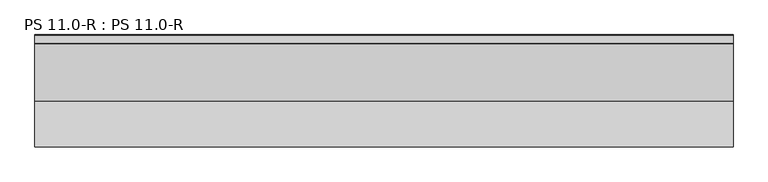
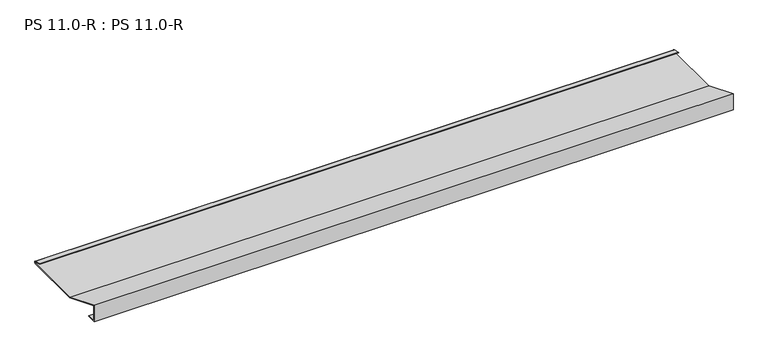
"""IFC4 building model written with IfcOpenShell, lengths in millimetres: proxy geometry, PS 11.0-R : PS 11.0-R."""

import ifcopenshell
import ifcopenshell.guid

model = None  # the IFC model being written
_history = None  # IfcOwnerHistory: only IFC2X3 demands one
_inside = {}  # id of a spatial element -> (the spatial element, [elements in it])
_under = {}  # id of a project, library or spatial element -> (it, [spatial elements below it])
_declared = {}  # id of a project -> (the project, [libraries it declares])
_typed = {}  # id of a type object -> (the type object, [elements of that type])
_made_of = {}  # id of a material, layer set ... -> (it, [elements and type objects made of it])


def new_model(schema):
    """Start an empty IFC model of exactly this schema.

    Asked for "IFC4X3", IfcOpenShell would pick the latest addendum, in which some entities
    have other attributes; the version numbers below select the first issue.
    IFC2X3 requires an IfcOwnerHistory on every rooted entity: one is made here for all.
    """
    global model, _history
    if schema == "IFC4X3":
        model = ifcopenshell.file(schema_version=(4, 3, 0, 0))
    else:
        model = ifcopenshell.file(schema=schema)
    _inside.clear()
    _under.clear()
    _declared.clear()
    _typed.clear()
    _made_of.clear()
    _history = None
    if model.schema == "IFC2X3":
        org = make("IfcOrganization", Name="unknown")
        user = make(
            "IfcPersonAndOrganization",
            ThePerson=make("IfcPerson", FamilyName="unknown"),
            TheOrganization=org,
        )
        app = make(
            "IfcApplication",
            ApplicationDeveloper=org,
            Version="unknown",
            ApplicationFullName="unknown",
            ApplicationIdentifier="unknown",
        )
        _history = make(
            "IfcOwnerHistory",
            OwningUser=user,
            OwningApplication=app,
            ChangeAction="ADDED",
            CreationDate=0,
        )
    return model


def make(cls, **values):
    """One entity of the class cls with the attributes given. An attribute that is None is left unset."""
    return model.create_entity(
        cls, **{name: value for name, value in values.items() if value is not None}
    )


def rooted(cls, **values):
    """An entity with a GlobalId (a new one), such as an element, a storey or a relation."""
    return make(cls, GlobalId=ifcopenshell.guid.new(), OwnerHistory=_history, **values)


def si_unit(unit_type, name, prefix=None):
    """IfcSIUnit, for example si_unit("LENGTHUNIT", "METRE", prefix="MILLI")."""
    return make("IfcSIUnit", UnitType=unit_type, Prefix=prefix, Name=name)


def assignment(units):
    """IfcUnitAssignment: the units of a project."""
    return None if units is None else make("IfcUnitAssignment", Units=units)


def point(xyz):
    """IfcCartesianPoint."""
    return None if xyz is None else make("IfcCartesianPoint", Coordinates=xyz)


def direction(xyz):
    """IfcDirection."""
    return None if xyz is None else make("IfcDirection", DirectionRatios=xyz)


def frame(location, z_axis=None, x_axis=None):
    """IfcAxis2Placement3D, a coordinate frame: its origin and axes. An axis left out is left unset."""
    return make(
        "IfcAxis2Placement3D",
        Location=point(location),
        Axis=direction(z_axis),
        RefDirection=direction(x_axis),
    )


def frame_2d(location, x_axis=None):
    """IfcAxis2Placement2D, a coordinate frame in the plane: its origin and x axis."""
    return make(
        "IfcAxis2Placement2D", Location=point(location), RefDirection=direction(x_axis)
    )


def origin():
    """The frame at (0, 0, 0) with its axes left unset."""
    return frame((0.0, 0.0, 0.0))


def place(relative_to, where):
    """IfcLocalPlacement: puts the frame where relative to a parent placement (None: the world)."""
    return make(
        "IfcLocalPlacement", PlacementRelTo=relative_to, RelativePlacement=where
    )


def context(
    kind, dimensions, precision=None, world=None, true_north=None, identifier=None
):
    """IfcGeometricRepresentationContext, for example the 3D "Model" context."""
    return make(
        "IfcGeometricRepresentationContext",
        ContextIdentifier=identifier,
        ContextType=kind,
        CoordinateSpaceDimension=dimensions,
        Precision=precision,
        WorldCoordinateSystem=world,
        TrueNorth=true_north,
    )


def project(units=None, contexts=None):
    """IfcProject with its units and contexts."""
    return rooted(
        "IfcProject",
        Name="project",
        RepresentationContexts=contexts,
        UnitsInContext=assignment(units),
    )


def spatial(cls, under=None, at=None, **own):
    """A site, building, storey or space (cls), placed at a placement, below another one or the project."""
    s = rooted(cls, ObjectPlacement=at, **own)
    if under is not None:
        _under.setdefault(under.id(), (under, []))[1].append(s)
    return s


def polyline(points):
    """IfcPolyline through the points."""
    return make("IfcPolyline", Points=[point(p) for p in points])


def circle_curve(where, radius):
    """IfcCircle in the frame where."""
    return make("IfcCircle", Position=where, Radius=radius)


def trimmed(basis, trim1, trim2, sense, master):
    """IfcTrimmedCurve: the piece of a basis curve between two trims."""
    return make(
        "IfcTrimmedCurve",
        BasisCurve=basis,
        Trim1=trim1,
        Trim2=trim2,
        SenseAgreement=sense,
        MasterRepresentation=master,
    )


def segment(curve, same_sense, transition):
    """IfcCompositeCurveSegment."""
    return make(
        "IfcCompositeCurveSegment",
        Transition=transition,
        SameSense=same_sense,
        ParentCurve=curve,
    )


def composite_curve(segments, self_intersect=None):
    """IfcCompositeCurve: segments joined end to end."""
    return make("IfcCompositeCurve", Segments=segments, SelfIntersect=self_intersect)


def outline(outer, holes=None, kind="AREA"):
    """IfcArbitraryClosedProfileDef: a profile drawn as a closed curve; with holes, ...WithVoids."""
    if holes is None:
        return make("IfcArbitraryClosedProfileDef", ProfileType=kind, OuterCurve=outer)
    return make(
        "IfcArbitraryProfileDefWithVoids",
        ProfileType=kind,
        OuterCurve=outer,
        InnerCurves=holes,
    )


def extrude(swept, where, along, depth):
    """IfcExtrudedAreaSolid: the profile swept, set in the frame where, extruded along a direction by depth."""
    return make(
        "IfcExtrudedAreaSolid",
        SweptArea=swept,
        Position=where,
        ExtrudedDirection=direction(along),
        Depth=depth,
    )


def shape(context_of_items, identifier, shape_type, items):
    """IfcShapeRepresentation: the items that make up one representation, for example the "Body"."""
    return make(
        "IfcShapeRepresentation",
        ContextOfItems=context_of_items,
        RepresentationIdentifier=identifier,
        RepresentationType=shape_type,
        Items=items,
    )


def source(mapping_origin, context_of_items, identifier, shape_type, items):
    """IfcRepresentationMap: a shape defined once, which mapped items show again and again."""
    return make(
        "IfcRepresentationMap",
        MappingOrigin=mapping_origin,
        MappedRepresentation=shape(context_of_items, identifier, shape_type, items),
    )


def transform(
    local_origin,
    x_axis=None,
    y_axis=None,
    z_axis=None,
    scale=None,
    scale2=None,
    scale3=None,
    uniform=True,
):
    """IfcCartesianTransformationOperator3D, or its non-uniform kind. x_axis, y_axis, z_axis: its Axis1, 2, 3."""
    if uniform:
        return make(
            "IfcCartesianTransformationOperator3D",
            Axis1=direction(x_axis),
            Axis2=direction(y_axis),
            LocalOrigin=point(local_origin),
            Scale=scale,
            Axis3=direction(z_axis),
        )
    return make(
        "IfcCartesianTransformationOperator3DnonUniform",
        Axis1=direction(x_axis),
        Axis2=direction(y_axis),
        LocalOrigin=point(local_origin),
        Scale=scale,
        Axis3=direction(z_axis),
        Scale2=scale2,
        Scale3=scale3,
    )


def mapped(mapping_source, mapping_target):
    """IfcMappedItem: shows the shape of a source again, moved by a transform."""
    return make(
        "IfcMappedItem", MappingSource=mapping_source, MappingTarget=mapping_target
    )


def made_of(thing, what):
    """Note that an element or type object is made of a material, layer set ...; save() writes the relation."""
    if what is not None:
        _made_of.setdefault(what.id(), (what, []))[1].append(thing)
    return thing


def element(
    cls,
    number,
    at=None,
    inside=None,
    cuts=None,
    type_object=None,
    material=None,
    context=None,
    identifier="Body",
    shape_type=None,
    held_by="IfcProductDefinitionShape",
    body=None,
    shapes=None,
    **own,
):
    """One element of the class cls, such as IfcWall. Its Tag is "e" and its number.

    at: its placement. inside: the storey or other place that contains it. cuts: it is an
    opening in that element (IfcRelVoidsElement). A single representation is given by context,
    identifier, shape_type and body (its items); several are given by shapes. held_by: the class
    of the entity that holds the representations. save() writes the other relations.
    """
    e = rooted(cls, Tag="e%d" % number, ObjectPlacement=at, **own)
    if body is not None:
        shapes = [shape(context, identifier, shape_type, body)]
    if shapes is not None:
        e.Representation = make(held_by, Representations=shapes)
    if inside is not None:
        _inside.setdefault(inside.id(), (inside, []))[1].append(e)
    if cuts is not None:
        rooted(
            "IfcRelVoidsElement", RelatingBuildingElement=cuts, RelatedOpeningElement=e
        )
    if type_object is not None:
        _typed.setdefault(type_object.id(), (type_object, []))[1].append(e)
    return made_of(e, material)


def aggregate(whole, parts):
    """IfcRelAggregates: a whole, such as a stair, and the parts it consists of."""
    return rooted("IfcRelAggregates", RelatingObject=whole, RelatedObjects=parts)


def save(model, path):
    """Write the relations noted so far, then the file.

    IfcRelAggregates (storeys below a building ...), IfcRelContainedInSpatialStructure (elements
    in a storey), IfcRelDefinesByType, IfcRelAssociatesMaterial and IfcRelDeclares: one each for
    every whole, place, type object, material and project.
    """
    for whole, parts in _under.values():
        aggregate(whole, parts)
    for where, things in _inside.values():
        rooted(
            "IfcRelContainedInSpatialStructure",
            RelatedElements=things,
            RelatingStructure=where,
        )
    for kind, things in _typed.values():
        rooted("IfcRelDefinesByType", RelatedObjects=things, RelatingType=kind)
    for what, things in _made_of.values():
        rooted("IfcRelAssociatesMaterial", RelatedObjects=things, RelatingMaterial=what)
    for by, libraries in _declared.values():
        rooted("IfcRelDeclares", RelatingContext=by, RelatedDefinitions=libraries)
    model.write(path)


def ps_11_0_r_ps_11_0_r_8f00f817(model_context):
    return source(origin(), model_context, "Body", "SweptSolid", [
        extrude(outline(composite_curve([segment(polyline([(92.2328913, 0.5), (222.6835104, 0.5)]), True, "CONTINUOUS"), segment(trimmed(circle_curve(frame_2d((221.9419644, 2.4153551)), 2.0538928), [point((222.6835104, 0.5))], [point((222.807341, 4.278041))], True, "CARTESIAN"), True, "CONTINUOUS"), segment(polyline([(222.807341, 4.278041), (207.1307182, 7.2866995), (207.4140687, 8.2359048), (223.163909, 5.2131944)]), True, "CONTINUOUS"), segment(trimmed(circle_curve(frame_2d((221.9700946, 2.4215767)), 3.0361691), [point((223.163909, 5.2131944))], [point((222.7963586, -0.5))], False, "CARTESIAN"), True, "CONTINUOUS"), segment(polyline([(222.7963586, -0.5), (92.0, -0.5), (1.0, 36.4987317), (1.0, 1.5), (20.0, 1.5), (20.0, 0.5), (0.0, 0.5), (0.0, 38.0), (92.2328913, 0.5)]), True, "CONTINUOUS")], self_intersect=False)), frame((0.0, 0.0, 0.0), z_axis=(1.0, 0.0, 0.0), x_axis=(0.0, 1.0, 0.0)), (0.0, 0.0, 1.0), 1400.0),
    ])


if __name__ == "__main__":
    model = new_model("IFC4")
    model_context = context("Model", 3, world=origin())
    ifc_project = project(units=[si_unit("LENGTHUNIT", "METRE", prefix="MILLI")], contexts=[model_context])
    site = spatial("IfcSite", under=ifc_project)
    building = spatial("IfcBuilding", under=site)
    placement = place(None, origin())
    ps_11_0_r_ps_11_0_r_shape = ps_11_0_r_ps_11_0_r_8f00f817(model_context)
    element("IfcBuildingElementProxy", 1, Name="PS 11.0-R : PS 11.0-R", ObjectType="PS 11.0-R : PS 11.0-R", at=placement, inside=building, context=model_context, shape_type="MappedRepresentation", body=[
        mapped(ps_11_0_r_ps_11_0_r_shape, transform((0.0, 0.0, 0.0), x_axis=(1.0, 0.0, 0.0), y_axis=(0.0, 1.0, 0.0), z_axis=(0.0, 0.0, 1.0))),
    ])
    save(model, "model.ifc")
